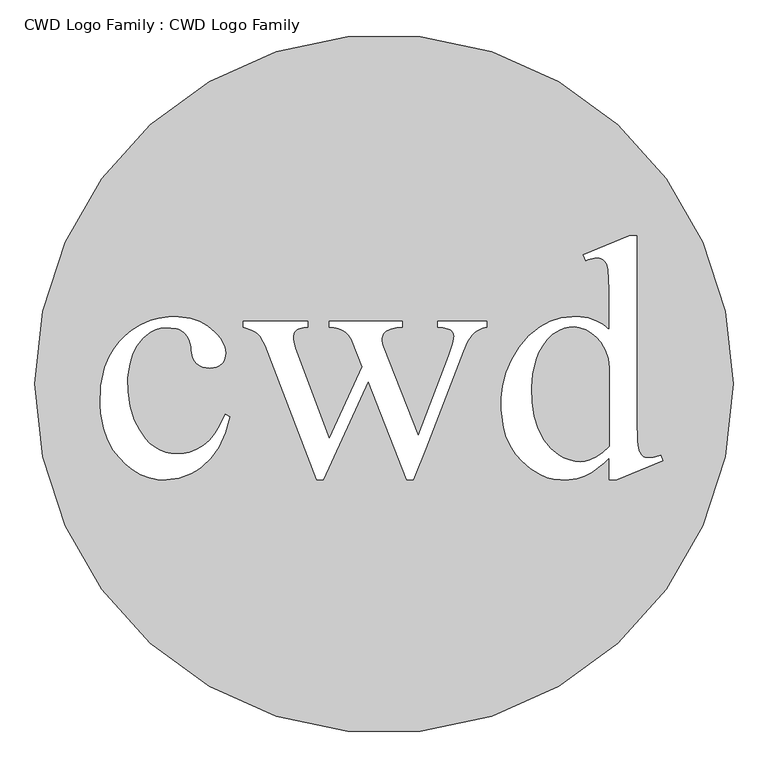
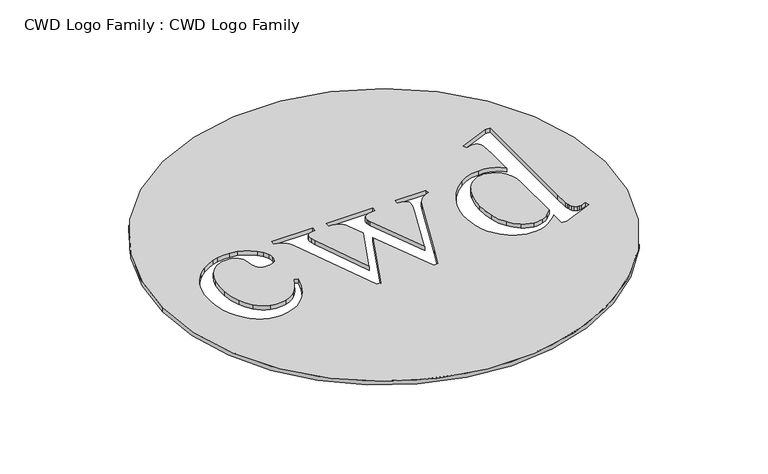
"""IFC4 building model written with IfcOpenShell, lengths in millimetres: proxy geometry, CWD Logo Family : CWD Logo Family."""

import ifcopenshell
import ifcopenshell.guid

model = None  # the IFC model being written
_history = None  # IfcOwnerHistory: only IFC2X3 demands one
_inside = {}  # id of a spatial element -> (the spatial element, [elements in it])
_under = {}  # id of a project, library or spatial element -> (it, [spatial elements below it])
_declared = {}  # id of a project -> (the project, [libraries it declares])
_typed = {}  # id of a type object -> (the type object, [elements of that type])
_made_of = {}  # id of a material, layer set ... -> (it, [elements and type objects made of it])


def new_model(schema):
    """Start an empty IFC model of exactly this schema.

    Asked for "IFC4X3", IfcOpenShell would pick the latest addendum, in which some entities
    have other attributes; the version numbers below select the first issue.
    IFC2X3 requires an IfcOwnerHistory on every rooted entity: one is made here for all.
    """
    global model, _history
    if schema == "IFC4X3":
        model = ifcopenshell.file(schema_version=(4, 3, 0, 0))
    else:
        model = ifcopenshell.file(schema=schema)
    _inside.clear()
    _under.clear()
    _declared.clear()
    _typed.clear()
    _made_of.clear()
    _history = None
    if model.schema == "IFC2X3":
        org = make("IfcOrganization", Name="unknown")
        user = make(
            "IfcPersonAndOrganization",
            ThePerson=make("IfcPerson", FamilyName="unknown"),
            TheOrganization=org,
        )
        app = make(
            "IfcApplication",
            ApplicationDeveloper=org,
            Version="unknown",
            ApplicationFullName="unknown",
            ApplicationIdentifier="unknown",
        )
        _history = make(
            "IfcOwnerHistory",
            OwningUser=user,
            OwningApplication=app,
            ChangeAction="ADDED",
            CreationDate=0,
        )
    return model


def make(cls, **values):
    """One entity of the class cls with the attributes given. An attribute that is None is left unset."""
    return model.create_entity(
        cls, **{name: value for name, value in values.items() if value is not None}
    )


def rooted(cls, **values):
    """An entity with a GlobalId (a new one), such as an element, a storey or a relation."""
    return make(cls, GlobalId=ifcopenshell.guid.new(), OwnerHistory=_history, **values)


def si_unit(unit_type, name, prefix=None):
    """IfcSIUnit, for example si_unit("LENGTHUNIT", "METRE", prefix="MILLI")."""
    return make("IfcSIUnit", UnitType=unit_type, Prefix=prefix, Name=name)


def assignment(units):
    """IfcUnitAssignment: the units of a project."""
    return None if units is None else make("IfcUnitAssignment", Units=units)


def point(xyz):
    """IfcCartesianPoint."""
    return None if xyz is None else make("IfcCartesianPoint", Coordinates=xyz)


def direction(xyz):
    """IfcDirection."""
    return None if xyz is None else make("IfcDirection", DirectionRatios=xyz)


def frame(location, z_axis=None, x_axis=None):
    """IfcAxis2Placement3D, a coordinate frame: its origin and axes. An axis left out is left unset."""
    return make(
        "IfcAxis2Placement3D",
        Location=point(location),
        Axis=direction(z_axis),
        RefDirection=direction(x_axis),
    )


def frame_2d(location, x_axis=None):
    """IfcAxis2Placement2D, a coordinate frame in the plane: its origin and x axis."""
    return make(
        "IfcAxis2Placement2D", Location=point(location), RefDirection=direction(x_axis)
    )


def origin():
    """The frame at (0, 0, 0) with its axes left unset."""
    return frame((0.0, 0.0, 0.0))


def origin_with_axes():
    """The frame at (0, 0, 0) with the z axis (0, 0, 1) and the x axis (1, 0, 0) written out."""
    return frame((0.0, 0.0, 0.0), z_axis=(0.0, 0.0, 1.0), x_axis=(1.0, 0.0, 0.0))


def place(relative_to, where):
    """IfcLocalPlacement: puts the frame where relative to a parent placement (None: the world)."""
    return make(
        "IfcLocalPlacement", PlacementRelTo=relative_to, RelativePlacement=where
    )


def context(
    kind, dimensions, precision=None, world=None, true_north=None, identifier=None
):
    """IfcGeometricRepresentationContext, for example the 3D "Model" context."""
    return make(
        "IfcGeometricRepresentationContext",
        ContextIdentifier=identifier,
        ContextType=kind,
        CoordinateSpaceDimension=dimensions,
        Precision=precision,
        WorldCoordinateSystem=world,
        TrueNorth=true_north,
    )


def project(units=None, contexts=None):
    """IfcProject with its units and contexts."""
    return rooted(
        "IfcProject",
        Name="project",
        RepresentationContexts=contexts,
        UnitsInContext=assignment(units),
    )


def spatial(cls, under=None, at=None, **own):
    """A site, building, storey or space (cls), placed at a placement, below another one or the project."""
    s = rooted(cls, ObjectPlacement=at, **own)
    if under is not None:
        _under.setdefault(under.id(), (under, []))[1].append(s)
    return s


def polyline(points):
    """IfcPolyline through the points."""
    return make("IfcPolyline", Points=[point(p) for p in points])


def circle_curve(where, radius):
    """IfcCircle in the frame where."""
    return make("IfcCircle", Position=where, Radius=radius)


def trimmed(basis, trim1, trim2, sense, master):
    """IfcTrimmedCurve: the piece of a basis curve between two trims."""
    return make(
        "IfcTrimmedCurve",
        BasisCurve=basis,
        Trim1=trim1,
        Trim2=trim2,
        SenseAgreement=sense,
        MasterRepresentation=master,
    )


def segment(curve, same_sense, transition):
    """IfcCompositeCurveSegment."""
    return make(
        "IfcCompositeCurveSegment",
        Transition=transition,
        SameSense=same_sense,
        ParentCurve=curve,
    )


def composite_curve(segments, self_intersect=None):
    """IfcCompositeCurve: segments joined end to end."""
    return make("IfcCompositeCurve", Segments=segments, SelfIntersect=self_intersect)


def outline(outer, holes=None, kind="AREA"):
    """IfcArbitraryClosedProfileDef: a profile drawn as a closed curve; with holes, ...WithVoids."""
    if holes is None:
        return make("IfcArbitraryClosedProfileDef", ProfileType=kind, OuterCurve=outer)
    return make(
        "IfcArbitraryProfileDefWithVoids",
        ProfileType=kind,
        OuterCurve=outer,
        InnerCurves=holes,
    )


def extrude(swept, where, along, depth):
    """IfcExtrudedAreaSolid: the profile swept, set in the frame where, extruded along a direction by depth."""
    return make(
        "IfcExtrudedAreaSolid",
        SweptArea=swept,
        Position=where,
        ExtrudedDirection=direction(along),
        Depth=depth,
    )


def shape(context_of_items, identifier, shape_type, items):
    """IfcShapeRepresentation: the items that make up one representation, for example the "Body"."""
    return make(
        "IfcShapeRepresentation",
        ContextOfItems=context_of_items,
        RepresentationIdentifier=identifier,
        RepresentationType=shape_type,
        Items=items,
    )


def source(mapping_origin, context_of_items, identifier, shape_type, items):
    """IfcRepresentationMap: a shape defined once, which mapped items show again and again."""
    return make(
        "IfcRepresentationMap",
        MappingOrigin=mapping_origin,
        MappedRepresentation=shape(context_of_items, identifier, shape_type, items),
    )


def transform(
    local_origin,
    x_axis=None,
    y_axis=None,
    z_axis=None,
    scale=None,
    scale2=None,
    scale3=None,
    uniform=True,
):
    """IfcCartesianTransformationOperator3D, or its non-uniform kind. x_axis, y_axis, z_axis: its Axis1, 2, 3."""
    if uniform:
        return make(
            "IfcCartesianTransformationOperator3D",
            Axis1=direction(x_axis),
            Axis2=direction(y_axis),
            LocalOrigin=point(local_origin),
            Scale=scale,
            Axis3=direction(z_axis),
        )
    return make(
        "IfcCartesianTransformationOperator3DnonUniform",
        Axis1=direction(x_axis),
        Axis2=direction(y_axis),
        LocalOrigin=point(local_origin),
        Scale=scale,
        Axis3=direction(z_axis),
        Scale2=scale2,
        Scale3=scale3,
    )


def mapped(mapping_source, mapping_target):
    """IfcMappedItem: shows the shape of a source again, moved by a transform."""
    return make(
        "IfcMappedItem", MappingSource=mapping_source, MappingTarget=mapping_target
    )


def made_of(thing, what):
    """Note that an element or type object is made of a material, layer set ...; save() writes the relation."""
    if what is not None:
        _made_of.setdefault(what.id(), (what, []))[1].append(thing)
    return thing


def element(
    cls,
    number,
    at=None,
    inside=None,
    cuts=None,
    type_object=None,
    material=None,
    context=None,
    identifier="Body",
    shape_type=None,
    held_by="IfcProductDefinitionShape",
    body=None,
    shapes=None,
    **own,
):
    """One element of the class cls, such as IfcWall. Its Tag is "e" and its number.

    at: its placement. inside: the storey or other place that contains it. cuts: it is an
    opening in that element (IfcRelVoidsElement). A single representation is given by context,
    identifier, shape_type and body (its items); several are given by shapes. held_by: the class
    of the entity that holds the representations. save() writes the other relations.
    """
    e = rooted(cls, Tag="e%d" % number, ObjectPlacement=at, **own)
    if body is not None:
        shapes = [shape(context, identifier, shape_type, body)]
    if shapes is not None:
        e.Representation = make(held_by, Representations=shapes)
    if inside is not None:
        _inside.setdefault(inside.id(), (inside, []))[1].append(e)
    if cuts is not None:
        rooted(
            "IfcRelVoidsElement", RelatingBuildingElement=cuts, RelatedOpeningElement=e
        )
    if type_object is not None:
        _typed.setdefault(type_object.id(), (type_object, []))[1].append(e)
    return made_of(e, material)


def aggregate(whole, parts):
    """IfcRelAggregates: a whole, such as a stair, and the parts it consists of."""
    return rooted("IfcRelAggregates", RelatingObject=whole, RelatedObjects=parts)


def save(model, path):
    """Write the relations noted so far, then the file.

    IfcRelAggregates (storeys below a building ...), IfcRelContainedInSpatialStructure (elements
    in a storey), IfcRelDefinesByType, IfcRelAssociatesMaterial and IfcRelDeclares: one each for
    every whole, place, type object, material and project.
    """
    for whole, parts in _under.values():
        aggregate(whole, parts)
    for where, things in _inside.values():
        rooted(
            "IfcRelContainedInSpatialStructure",
            RelatedElements=things,
            RelatingStructure=where,
        )
    for kind, things in _typed.values():
        rooted("IfcRelDefinesByType", RelatedObjects=things, RelatingType=kind)
    for what, things in _made_of.values():
        rooted("IfcRelAssociatesMaterial", RelatedObjects=things, RelatingMaterial=what)
    for by, libraries in _declared.values():
        rooted("IfcRelDeclares", RelatingContext=by, RelatedDefinitions=libraries)
    model.write(path)


def cwd_logo_family_cwd_logo_family_d22c4e1f(model_context):
    return source(origin(), model_context, "Body", "SweptSolid", [
        extrude(outline(composite_curve([segment(trimmed(circle_curve(frame_2d((30.0, 0.0)), 550.0), [point((-520.0, 0.0))], [point((580.0, 0.0))], False, "CARTESIAN"), True, "CONTINUOUS"), segment(trimmed(circle_curve(frame_2d((30.0, 0.0)), 550.0), [point((580.0, 0.0))], [point((-520.0, 0.0))], False, "CARTESIAN"), True, "CONTINUOUS")], self_intersect=False), holes=[composite_curve([segment(trimmed(circle_curve(frame_2d((-243.3317272, 51.2653815)), 26.0835714), [point((-244.4462515, 25.2056323))], [point((-225.727068, 32.0188579))], True, "CARTESIAN"), True, "CONTINUOUS"), segment(trimmed(circle_curve(frame_2d((-236.5102753, 43.8077401)), 15.9767112), [point((-225.727068, 32.0188579))], [point((-221.5403535, 38.2259174))], True, "CARTESIAN"), True, "CONTINUOUS"), segment(trimmed(circle_curve(frame_2d((-248.9374174, 48.4414386)), 29.2396304), [point((-221.5403535, 38.2259174))], [point((-219.6986846, 48.6705406))], True, "CARTESIAN"), True, "CONTINUOUS"), segment(trimmed(circle_curve(frame_2d((-252.7914911, 48.4112397)), 33.0938224), [point((-219.6986846, 48.6705406))], [point((-222.0112394, 60.5676036))], True, "CARTESIAN"), True, "CONTINUOUS"), segment(trimmed(circle_curve(frame_2d((-276.696982, 38.9699964)), 58.7961485), [point((-222.0112394, 60.5676036))], [point((-228.211875, 72.229303))], True, "CARTESIAN"), True, "CONTINUOUS"), segment(trimmed(circle_curve(frame_2d((-270.5698948, 43.1729916)), 51.3660499), [point((-228.211875, 72.229303))], [point((-237.2451382, 82.2617582))], True, "CARTESIAN"), True, "CONTINUOUS"), segment(trimmed(circle_curve(frame_2d((-294.8236246, 23.017939)), 82.6142373), [point((-237.2451382, 82.2617582))], [point((-275.0939657, 103.2417058))], True, "CARTESIAN"), True, "CONTINUOUS"), segment(trimmed(circle_curve(frame_2d((-298.2307338, 9.1641196)), 96.8808664), [point((-275.0939657, 103.2417058))], [point((-293.8284135, 105.9449124))], True, "CARTESIAN"), True, "CONTINUOUS"), segment(trimmed(circle_curve(frame_2d((-302.7024236, 6.9690464)), 99.3728841), [point((-293.8284135, 105.9449124))], [point((-324.9112582, 103.8284175))], True, "CARTESIAN"), True, "CONTINUOUS"), segment(trimmed(circle_curve(frame_2d((-313.972126, 35.6273803)), 69.0727594), [point((-324.9112582, 103.8284175))], [point((-337.4752243, 100.5785193))], True, "CARTESIAN"), True, "CONTINUOUS"), segment(trimmed(circle_curve(frame_2d((-296.1931878, -13.5049628)), 121.3229056), [point((-337.4752243, 100.5785193))], [point((-367.6880589, 84.5140702))], True, "CARTESIAN"), True, "CONTINUOUS"), segment(trimmed(circle_curve(frame_2d((-302.5136311, -4.8396735)), 110.5974573), [point((-367.6880589, 84.5140702))], [point((-387.1033753, 66.4089948))], True, "CARTESIAN"), True, "CONTINUOUS"), segment(trimmed(circle_curve(frame_2d((-285.0651098, -19.5363003)), 133.4106494), [point((-387.1033753, 66.4089948))], [point((-402.9764068, 42.8762577))], True, "CARTESIAN"), True, "CONTINUOUS"), segment(trimmed(circle_curve(frame_2d((-308.1875145, -7.2971981)), 107.2488218), [point((-402.9764068, 42.8762577))], [point((-409.9344382, 26.6125835))], True, "CARTESIAN"), True, "CONTINUOUS"), segment(trimmed(circle_curve(frame_2d((-267.4265088, -20.8818525)), 150.2139521), [point((-409.9344382, 26.6125835))], [point((-417.1912877, -32.4897123))], True, "CARTESIAN"), True, "CONTINUOUS"), segment(trimmed(circle_curve(frame_2d((-304.2124317, -30.5032737)), 112.9963178), [point((-417.1912877, -32.4897123))], [point((-416.1480683, -45.9493443))], True, "CARTESIAN"), True, "CONTINUOUS"), segment(trimmed(circle_curve(frame_2d((-298.4493074, -35.4694034)), 118.1644086), [point((-416.1480683, -45.9493443))], [point((-411.5035532, -69.8433032))], True, "CARTESIAN"), True, "CONTINUOUS"), segment(trimmed(circle_curve(frame_2d((-295.8410357, -38.8536582)), 119.7421231), [point((-411.5035532, -69.8433032))], [point((-396.2641604, -104.0715397))], True, "CARTESIAN"), True, "CONTINUOUS"), segment(trimmed(circle_curve(frame_2d((-295.7271214, -36.5892123)), 121.0849319), [point((-396.2641604, -104.0715397))], [point((-377.0173642, -126.3302685))], True, "CARTESIAN"), True, "CONTINUOUS"), segment(trimmed(circle_curve(frame_2d((-306.2771134, -48.2359659)), 105.3703144), [point((-377.0173642, -126.3302685))], [point((-352.9329582, -142.7141926))], True, "CARTESIAN"), True, "CONTINUOUS"), segment(trimmed(circle_curve(frame_2d((-316.0934245, -68.1140256)), 83.2005779), [point((-352.9329582, -142.7141926))], [point((-312.7814574, -151.2486575))], True, "CARTESIAN"), True, "CONTINUOUS"), segment(trimmed(circle_curve(frame_2d((-316.6245633, -54.7817607)), 96.5434184), [point((-312.7814574, -151.2486575))], [point((-274.7293595, -141.761204))], True, "CARTESIAN"), True, "CONTINUOUS"), segment(trimmed(circle_curve(frame_2d((-308.2331158, -72.2034072)), 77.2061446), [point((-274.7293595, -141.761204))], [point((-258.3161119, -131.1023163))], True, "CARTESIAN"), True, "CONTINUOUS"), segment(trimmed(circle_curve(frame_2d((-322.5448027, -46.4152147)), 106.2884279), [point((-258.3161119, -131.1023163))], [point((-230.5152292, -99.59216))], True, "CARTESIAN"), True, "CONTINUOUS"), segment(trimmed(circle_curve(frame_2d((-354.350349, -28.0371899)), 143.0218537), [point((-230.5152292, -99.59216))], [point((-219.9363812, -76.9057471))], True, "CARTESIAN"), True, "CONTINUOUS"), segment(trimmed(circle_curve(frame_2d((-398.2282556, -12.0846068)), 189.7097065), [point((-219.9363812, -76.9057471))], [point((-212.6782, -51.5934611))], True, "CARTESIAN"), True, "CONTINUOUS"), segment(polyline([(-212.6782, -51.5934611), (-220.4136119, -47.8206486)]), True, "CONTINUOUS"), segment(trimmed(circle_curve(frame_2d((-348.6948453, 3.794356)), 138.2757518), [point((-220.4136119, -47.8206486))], [point((-229.0438532, -65.5152655))], False, "CARTESIAN"), True, "CONTINUOUS"), segment(trimmed(circle_curve(frame_2d((-306.8339112, -28.6501517)), 86.0832721), [point((-229.0438532, -65.5152655))], [point((-244.7266841, -88.2573834))], False, "CARTESIAN"), True, "CONTINUOUS"), segment(trimmed(circle_curve(frame_2d((-295.5444822, -39.4851486)), 70.4356408), [point((-244.7266841, -88.2573834))], [point((-276.338666, -107.2517784))], False, "CARTESIAN"), True, "CONTINUOUS"), segment(trimmed(circle_curve(frame_2d((-295.5444822, -39.4851486)), 70.4356408), [point((-276.338666, -107.2517784))], [point((-314.7502985, -107.2517784))], False, "CARTESIAN"), True, "CONTINUOUS"), segment(trimmed(circle_curve(frame_2d((-298.2594206, -49.0646542)), 60.4788432), [point((-314.7502985, -107.2517784))], [point((-346.0319911, -86.1520103))], False, "CARTESIAN"), True, "CONTINUOUS"), segment(trimmed(circle_curve(frame_2d((-230.5356432, 3.5114542)), 146.2154002), [point((-346.0319911, -86.1520103))], [point((-363.9260343, -56.3713214))], False, "CARTESIAN"), True, "CONTINUOUS"), segment(trimmed(circle_curve(frame_2d((-237.5207342, -4.096516)), 136.7879935), [point((-363.9260343, -56.3713214))], [point((-374.0488318, -12.5246685))], False, "CARTESIAN"), True, "CONTINUOUS"), segment(trimmed(circle_curve(frame_2d((-241.9494098, 0.364542)), 132.7267457), [point((-374.0488318, -12.5246685))], [point((-370.9694179, 31.5130017))], False, "CARTESIAN"), True, "CONTINUOUS"), segment(trimmed(circle_curve(frame_2d((-294.7718683, 17.721786)), 77.4355487), [point((-370.9694179, 31.5130017))], [point((-338.3631062, 81.7223186))], False, "CARTESIAN"), True, "CONTINUOUS"), segment(trimmed(circle_curve(frame_2d((-311.9779743, 34.2186314)), 54.3394468), [point((-338.3631062, 81.7223186))], [point((-305.3093004, 88.1473276))], False, "CARTESIAN"), True, "CONTINUOUS"), segment(trimmed(circle_curve(frame_2d((-304.4642039, 58.3571146)), 29.8021975), [point((-305.3093004, 88.1473276))], [point((-276.9057585, 69.7018518))], False, "CARTESIAN"), True, "CONTINUOUS"), segment(trimmed(circle_curve(frame_2d((-320.3279532, 51.8266277)), 46.9575407), [point((-276.9057585, 69.7018518))], [point((-273.7856175, 58.0573269))], False, "CARTESIAN"), True, "CONTINUOUS"), segment(trimmed(circle_curve(frame_2d((-242.0267639, 56.4988545)), 31.7970693), [point((-273.7856175, 58.0573269))], [point((-272.9553168, 49.1179176))], True, "CARTESIAN"), True, "CONTINUOUS"), segment(trimmed(circle_curve(frame_2d((-241.3621329, 52.6428388)), 31.7892174), [point((-272.9553168, 49.1179176))], [point((-268.4280597, 35.9698083))], True, "CARTESIAN"), True, "CONTINUOUS"), segment(trimmed(circle_curve(frame_2d((-246.3714465, 53.0133946)), 27.8743255), [point((-268.4280597, 35.9698083))], [point((-244.4462515, 25.2056323))], True, "CARTESIAN"), True, "CONTINUOUS")], self_intersect=False), composite_curve([segment(polyline([(-90.370009, 99.1173424), (-192.1467126, 99.1173424), (-192.1467126, 89.3061248)]), True, "CONTINUOUS"), segment(trimmed(circle_curve(frame_2d((-209.147793, 8.7049955)), 82.3746247), [point((-192.1467126, 89.3061248))], [point((-178.1707479, 85.0332436))], False, "CARTESIAN"), True, "CONTINUOUS"), segment(trimmed(circle_curve(frame_2d((-189.9555689, 55.9951368)), 31.3383735), [point((-178.1707479, 85.0332436))], [point((-169.0224169, 79.316732))], False, "CARTESIAN"), True, "CONTINUOUS"), segment(trimmed(circle_curve(frame_2d((-189.9555689, 55.9951368)), 31.3383735), [point((-169.0224169, 79.316732))], [point((-162.262537, 70.6644802))], False, "CARTESIAN"), True, "CONTINUOUS"), segment(trimmed(circle_curve(frame_2d((-216.9838431, 35.5760347)), 65.0047717), [point((-162.262537, 70.6644802))], [point((-157.2144993, 61.1347103))], False, "CARTESIAN"), True, "CONTINUOUS"), segment(polyline([(-157.2144993, 61.1347103), (-75.6992724, -151.1347103), (-65.9342851, -151.1347103), (4.9037027, 3.9654859), (65.7432349, -151.1832298), (76.397646, -151.1832298), (95.4606824, -102.1422664), (155.0239721, 51.3831421)]), True, "CONTINUOUS"), segment(trimmed(circle_curve(frame_2d((272.8987337, 10.3604847)), 124.8091256), [point((155.0239721, 51.3831421))], [point((161.5068138, 66.6557599))], False, "CARTESIAN"), True, "CONTINUOUS"), segment(trimmed(circle_curve(frame_2d((213.0202352, 37.9975031)), 58.9485222), [point((161.5068138, 66.6557599))], [point((168.471655, 76.6025841))], False, "CARTESIAN"), True, "CONTINUOUS"), segment(trimmed(circle_curve(frame_2d((197.4886667, 51.4569098)), 38.3965089), [point((168.471655, 76.6025841))], [point((191.540599, 89.3899085))], False, "CARTESIAN"), True, "CONTINUOUS"), segment(polyline([(191.540599, 89.3899085), (191.540599, 99.1173424), (114.9356286, 99.1173424), (114.9356286, 89.2796877)]), True, "CONTINUOUS"), segment(trimmed(circle_curve(frame_2d((114.9183382, 34.4521248)), 54.8275656), [point((114.9356286, 89.2796877))], [point((131.8445427, 86.6015788))], False, "CARTESIAN"), True, "CONTINUOUS"), segment(trimmed(circle_curve(frame_2d((126.5916128, 73.18556)), 14.4077351), [point((131.8445427, 86.6015788))], [point((139.6085249, 79.3615482))], False, "CARTESIAN"), True, "CONTINUOUS"), segment(trimmed(circle_curve(frame_2d((128.193098, 75.0962716)), 12.1862445), [point((139.6085249, 79.3615482))], [point((140.1757564, 72.8780622))], False, "CARTESIAN"), True, "CONTINUOUS"), segment(trimmed(circle_curve(frame_2d((81.5581331, 78.7875962)), 58.914755), [point((140.1757564, 72.8780622))], [point((137.622529, 60.68423))], False, "CARTESIAN"), True, "CONTINUOUS"), segment(trimmed(circle_curve(frame_2d((-172.0344731, 160.6734303)), 325.4002138), [point((137.622529, 60.68423))], [point((131.9814147, 44.6577456))], False, "CARTESIAN"), True, "CONTINUOUS"), segment(polyline([(131.9814147, 44.6577456), (83.8589572, -81.4458212), (28.4297285, 58.7777893)]), True, "CONTINUOUS"), segment(trimmed(circle_curve(frame_2d((67.9810327, 72.094838)), 41.7330738), [point((28.4297285, 58.7777893))], [point((27.1313581, 63.5535541))], False, "CARTESIAN"), True, "CONTINUOUS"), segment(trimmed(circle_curve(frame_2d((77.9238107, 71.4429679)), 51.4015184), [point((27.1313581, 63.5535541))], [point((26.566251, 69.3176085))], False, "CARTESIAN"), True, "CONTINUOUS"), segment(trimmed(circle_curve(frame_2d((44.2761098, 70.0505058)), 17.7250173), [point((26.566251, 69.3176085))], [point((27.8849518, 76.7963324))], False, "CARTESIAN"), True, "CONTINUOUS"), segment(trimmed(circle_curve(frame_2d((41.0400413, 71.3823188)), 14.225608), [point((27.8849518, 76.7963324))], [point((33.00924, 83.1243013))], False, "CARTESIAN"), True, "CONTINUOUS"), segment(trimmed(circle_curve(frame_2d((46.3863769, 63.5653429)), 23.6960049), [point((33.00924, 83.1243013))], [point((40.0020035, 86.3850805))], False, "CARTESIAN"), True, "CONTINUOUS"), segment(trimmed(circle_curve(frame_2d((62.4130893, 6.2808855)), 83.1801588), [point((40.0020035, 86.3850805))], [point((58.973741, 89.3899085))], False, "CARTESIAN"), True, "CONTINUOUS"), segment(polyline([(58.973741, 89.3899085), (58.973741, 99.1173424), (-56.3454069, 99.1173424), (-56.3454069, 89.2796877)]), True, "CONTINUOUS"), segment(trimmed(circle_curve(frame_2d((-54.1806681, 48.6453223)), 40.6919862), [point((-56.3454069, 89.2796877))], [point((-34.4220804, 84.2182889))], False, "CARTESIAN"), True, "CONTINUOUS"), segment(trimmed(circle_curve(frame_2d((-49.6994459, 56.7132252)), 31.4630963), [point((-34.4220804, 84.2182889))], [point((-19.9593592, 66.982289))], False, "CARTESIAN"), True, "CONTINUOUS"), segment(polyline([(-19.9593592, 66.982289), (-4.3828124, 27.2600698), (-56.6227355, -86.6205557), (-109.8450779, 56.0429003)]), True, "CONTINUOUS"), segment(trimmed(circle_curve(frame_2d((-56.6123689, 74.844225)), 56.4553905), [point((-109.8450779, 56.0429003))], [point((-112.4407484, 66.4535663))], False, "CARTESIAN"), True, "CONTINUOUS"), segment(trimmed(circle_curve(frame_2d((-91.4576029, 72.4318393)), 21.8181609), [point((-112.4407484, 66.4535663))], [point((-113.0685567, 75.4316428))], False, "CARTESIAN"), True, "CONTINUOUS"), segment(trimmed(circle_curve(frame_2d((-96.8328902, 73.1779797)), 16.391335), [point((-113.0685567, 75.4316428))], [point((-111.0142635, 81.3977434))], False, "CARTESIAN"), True, "CONTINUOUS"), segment(trimmed(circle_curve(frame_2d((-100.6538866, 75.3926938)), 11.9748916), [point((-111.0142635, 81.3977434))], [point((-103.1634956, 87.1016601))], False, "CARTESIAN"), True, "CONTINUOUS"), segment(trimmed(circle_curve(frame_2d((-87.9927203, 38.4695706)), 50.9434251), [point((-103.1634956, 87.1016601))], [point((-90.370009, 89.357497))], False, "CARTESIAN"), True, "CONTINUOUS"), segment(polyline([(-90.370009, 89.357497), (-90.370009, 99.1173424)]), True, "CONTINUOUS")], self_intersect=False), composite_curve([segment(trimmed(circle_curve(frame_2d((325.3963559, 20.1046493)), 85.9287278), [point((326.7597552, 106.0225601))], [point((276.2213607, 90.5714223))], True, "CARTESIAN"), True, "CONTINUOUS"), segment(trimmed(circle_curve(frame_2d((355.7886251, -23.4468574)), 139.0363898), [point((276.2213607, 90.5714223))], [point((231.1788883, 38.2259174))], True, "CARTESIAN"), True, "CONTINUOUS"), segment(trimmed(circle_curve(frame_2d((383.443039, -37.133785)), 169.8924846), [point((231.1788883, 38.2259174))], [point((217.0611853, -2.7748692))], True, "CARTESIAN"), True, "CONTINUOUS"), segment(trimmed(circle_curve(frame_2d((356.356805, -31.5403046)), 142.2347354), [point((217.0611853, -2.7748692))], [point((214.4134258, -40.6395934))], True, "CARTESIAN"), True, "CONTINUOUS"), segment(trimmed(circle_curve(frame_2d((403.6947955, -28.5056999)), 189.6698929), [point((214.4134258, -40.6395934))], [point((218.4013107, -69.014869))], True, "CARTESIAN"), True, "CONTINUOUS"), segment(trimmed(circle_curve(frame_2d((318.4077362, -47.1512983)), 102.3684564), [point((218.4013107, -69.014869))], [point((229.4588943, -97.820859))], True, "CARTESIAN"), True, "CONTINUOUS"), segment(trimmed(circle_curve(frame_2d((332.7554007, -38.978175)), 118.8807373), [point((229.4588943, -97.820859))], [point((247.7198066, -122.0539081))], True, "CARTESIAN"), True, "CONTINUOUS"), segment(trimmed(circle_curve(frame_2d((324.3877351, -47.1529865)), 107.1826446), [point((247.7198066, -122.0539081))], [point((276.8444184, -143.2141772))], True, "CARTESIAN"), True, "CONTINUOUS"), segment(trimmed(circle_curve(frame_2d((310.6904467, -74.8283344)), 76.3031922), [point((276.8444184, -143.2141772))], [point((308.4695075, -151.0991975))], True, "CARTESIAN"), True, "CONTINUOUS"), segment(trimmed(circle_curve(frame_2d((311.6354624, -42.3748754)), 108.7704072), [point((308.4695075, -151.0991975))], [point((333.6330997, -148.8976685))], True, "CARTESIAN"), True, "CONTINUOUS"), segment(trimmed(circle_curve(frame_2d((319.8221736, -82.0187396)), 68.2900638), [point((333.6330997, -148.8976685))], [point((356.3454325, -139.7212903))], True, "CARTESIAN"), True, "CONTINUOUS"), segment(trimmed(circle_curve(frame_2d((274.6494989, -10.6511062)), 152.7525384), [point((356.3454325, -139.7212903))], [point((376.2012719, -124.7588422))], True, "CARTESIAN"), True, "CONTINUOUS"), segment(trimmed(circle_curve(frame_2d((299.3001497, -38.3495881)), 115.6734273), [point((376.2012719, -124.7588422))], [point((384.6305701, -116.4460742))], True, "CARTESIAN"), True, "CONTINUOUS"), segment(polyline([(384.6305701, -116.4460742), (384.6305701, -151.1406942), (396.8729275, -151.1406942), (468.9364782, -121.1985979), (466.0743444, -111.960654)]), True, "CONTINUOUS"), segment(trimmed(circle_curve(frame_2d((435.2603798, -31.8458455)), 85.8363731), [point((466.0743444, -111.960654))], [point((452.9754184, -115.8342993))], False, "CARTESIAN"), True, "CONTINUOUS"), segment(trimmed(circle_curve(frame_2d((447.1405914, -88.170905)), 28.272046), [point((452.9754184, -115.8342993))], [point((448.1714645, -116.4241506))], False, "CARTESIAN"), True, "CONTINUOUS"), segment(trimmed(circle_curve(frame_2d((447.0325821, -99.4071942)), 17.0550244), [point((448.1714645, -116.4241506))], [point((442.9560385, -115.96786))], False, "CARTESIAN"), True, "CONTINUOUS"), segment(trimmed(circle_curve(frame_2d((446.4882063, -101.6186819)), 14.7775208), [point((442.9560385, -115.96786))], [point((436.9556335, -112.9105009))], False, "CARTESIAN"), True, "CONTINUOUS"), segment(trimmed(circle_curve(frame_2d((446.4882063, -101.6186819)), 14.7775208), [point((436.9556335, -112.9105009))], [point((433.0959164, -107.8654165))], False, "CARTESIAN"), True, "CONTINUOUS"), segment(trimmed(circle_curve(frame_2d((466.3462054, -92.3560649)), 36.6895312), [point((433.0959164, -107.8654165))], [point((430.5961099, -100.6054511))], False, "CARTESIAN"), True, "CONTINUOUS"), segment(trimmed(circle_curve(frame_2d((478.4249586, -89.5688752)), 49.0856881), [point((430.5961099, -100.6054511))], [point((429.8729666, -96.787521))], False, "CARTESIAN"), True, "CONTINUOUS"), segment(trimmed(circle_curve(frame_2d((752.8126043, -64.8300613)), 324.5170086), [point((429.8729666, -96.787521))], [point((429.2297907, -89.4359868))], False, "CARTESIAN"), True, "CONTINUOUS"), segment(trimmed(circle_curve(frame_2d((1200.861624, -52.6235623)), 772.5094438), [point((429.2297907, -89.4359868))], [point((428.3619728, -56.5132449))], False, "CARTESIAN"), True, "CONTINUOUS"), segment(polyline([(428.3619728, -56.5132449), (428.3619728, 233.1820979), (416.514077, 233.1820979), (344.1351062, 203.5537243), (347.5209173, 194.2512846), (351.2803398, 195.6196025)]), True, "CONTINUOUS"), segment(trimmed(circle_curve(frame_2d((370.3480286, 140.2562112)), 58.5549473), [point((351.2803398, 195.6196025))], [point((360.8806945, 198.0407371))], False, "CARTESIAN"), True, "CONTINUOUS"), segment(trimmed(circle_curve(frame_2d((365.4637506, 176.4030664)), 22.1177123), [point((360.8806945, 198.0407371))], [point((370.0468068, 198.0407371))], False, "CARTESIAN"), True, "CONTINUOUS"), segment(trimmed(circle_curve(frame_2d((366.789478, 182.6621326)), 15.7197858), [point((370.0468068, 198.0407371))], [point((374.1793958, 196.5365977))], False, "CARTESIAN"), True, "CONTINUOUS"), segment(trimmed(circle_curve(frame_2d((368.097875, 185.1186293)), 12.9365721), [point((374.1793958, 196.5365977))], [point((378.5583404, 192.7300392))], False, "CARTESIAN"), True, "CONTINUOUS"), segment(trimmed(circle_curve(frame_2d((363.1991727, 181.5541578)), 18.9948508), [point((378.5583404, 192.7300392))], [point((381.4619353, 186.7767875))], False, "CARTESIAN"), True, "CONTINUOUS"), segment(trimmed(circle_curve(frame_2d((347.653613, 175.4923602)), 35.6418427), [point((381.4619353, 186.7767875))], [point((382.9870991, 180.1705771))], False, "CARTESIAN"), True, "CONTINUOUS"), segment(trimmed(circle_curve(frame_2d((104.799448, 149.8197656)), 279.8384194), [point((382.9870991, 180.1705771))], [point((384.6356817, 148.7137467))], False, "CARTESIAN"), True, "CONTINUOUS"), segment(polyline([(384.6356817, 148.7137467), (384.6356817, 85.7768766)]), True, "CONTINUOUS"), segment(trimmed(circle_curve(frame_2d((333.9197743, 33.6435493)), 72.7322974), [point((384.6356817, 85.7768766))], [point((326.7597552, 106.0225601))], True, "CARTESIAN"), True, "CONTINUOUS")], self_intersect=False)]), origin_with_axes(), (0.0, 0.0, 1.0), 10.3852342),
        extrude(outline(composite_curve([segment(polyline([(384.6399519, 25.4678141), (384.6399519, -97.8868175)]), True, "CONTINUOUS"), segment(trimmed(circle_curve(frame_2d((308.3695527, -28.4043981)), 103.1745143), [point((384.6399519, -97.8868175))], [point((373.5008392, -108.4224956))], False, "CARTESIAN"), True, "CONTINUOUS"), segment(trimmed(circle_curve(frame_2d((324.9469437, -44.0339344)), 80.6434596), [point((373.5008392, -108.4224956))], [point((353.8218958, -119.330712))], False, "CARTESIAN"), True, "CONTINUOUS"), segment(trimmed(circle_curve(frame_2d((338.2389826, -78.695384)), 43.520766), [point((353.8218958, -119.330712))], [point((331.4451532, -121.6826024))], False, "CARTESIAN"), True, "CONTINUOUS"), segment(trimmed(circle_curve(frame_2d((341.9226874, -55.3871417)), 67.1183048), [point((331.4451532, -121.6826024))], [point((305.3486909, -111.6651091))], False, "CARTESIAN"), True, "CONTINUOUS"), segment(trimmed(circle_curve(frame_2d((348.4418932, -45.3557619)), 79.0819424), [point((305.3486909, -111.6651091))], [point((282.1325459, -88.4489642))], False, "CARTESIAN"), True, "CONTINUOUS"), segment(trimmed(circle_curve(frame_2d((375.6894692, -27.6480728)), 111.577983), [point((282.1325459, -88.4489642))], [point((266.5929461, -51.0488193))], False, "CARTESIAN"), True, "CONTINUOUS"), segment(trimmed(circle_curve(frame_2d((444.4250437, -12.9045804)), 181.8769856), [point((266.5929461, -51.0488193))], [point((262.6709377, -6.2200579))], False, "CARTESIAN"), True, "CONTINUOUS"), segment(trimmed(circle_curve(frame_2d((406.5011352, -6.2200579)), 143.8301975), [point((262.6709377, -6.2200579))], [point((269.7104886, 38.2259174))], False, "CARTESIAN"), True, "CONTINUOUS"), segment(trimmed(circle_curve(frame_2d((362.8205281, 7.9726317)), 97.9016892), [point((269.7104886, 38.2259174))], [point((279.7951869, 59.8526228))], False, "CARTESIAN"), True, "CONTINUOUS"), segment(trimmed(circle_curve(frame_2d((339.8680639, 22.3149231)), 70.8366392), [point((279.7951869, 59.8526228))], [point((306.6122762, 84.8599631))], False, "CARTESIAN"), True, "CONTINUOUS"), segment(trimmed(circle_curve(frame_2d((327.2451959, 46.0550851)), 43.9492427), [point((306.6122762, 84.8599631))], [point((337.87748, 88.6988475))], False, "CARTESIAN"), True, "CONTINUOUS"), segment(trimmed(circle_curve(frame_2d((323.5540009, 31.2505105)), 59.2070391), [point((337.87748, 88.6988475))], [point((371.4535017, 66.0515349))], False, "CARTESIAN"), True, "CONTINUOUS"), segment(trimmed(circle_curve(frame_2d((315.5948021, 25.4678141)), 69.0451498), [point((371.4535017, 66.0515349))], [point((384.6399519, 25.4678141))], False, "CARTESIAN"), True, "CONTINUOUS")], self_intersect=False)), origin_with_axes(), (0.0, 0.0, 1.0), 10.3852342),
    ])


if __name__ == "__main__":
    model = new_model("IFC4")
    model_context = context("Model", 3, world=origin())
    ifc_project = project(units=[si_unit("LENGTHUNIT", "METRE", prefix="MILLI")], contexts=[model_context])
    site = spatial("IfcSite", under=ifc_project)
    building = spatial("IfcBuilding", under=site)
    placement = place(None, origin())
    cwd_logo_family_cwd_logo_family_shape = cwd_logo_family_cwd_logo_family_d22c4e1f(model_context)
    element("IfcBuildingElementProxy", 1, Name="CWD Logo Family : CWD Logo Family", ObjectType="CWD Logo Family : CWD Logo Family", at=placement, inside=building, context=model_context, shape_type="MappedRepresentation", body=[
        mapped(cwd_logo_family_cwd_logo_family_shape, transform((0.0, 0.0, 0.0), x_axis=(1.0, 0.0, 0.0), y_axis=(0.0, 1.0, 0.0), z_axis=(0.0, 0.0, 1.0))),
    ])
    save(model, "model.ifc")
